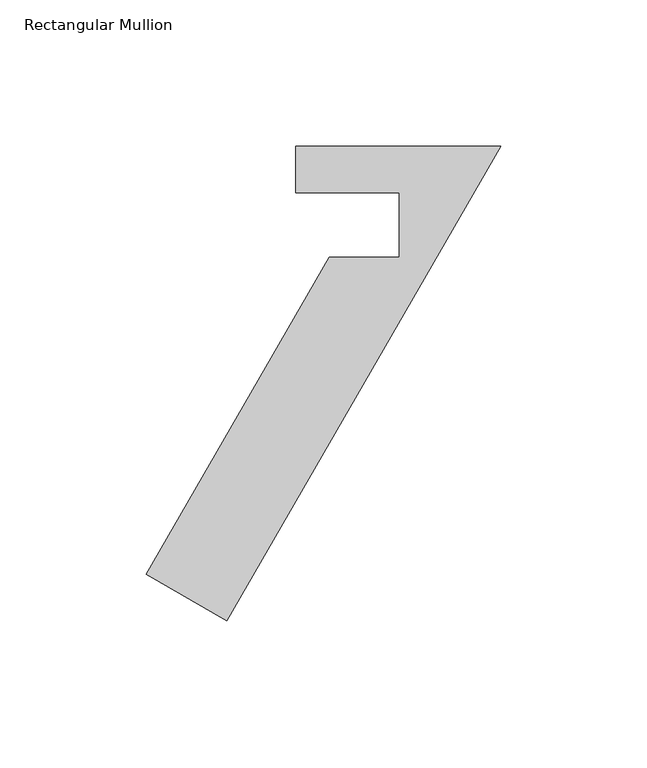
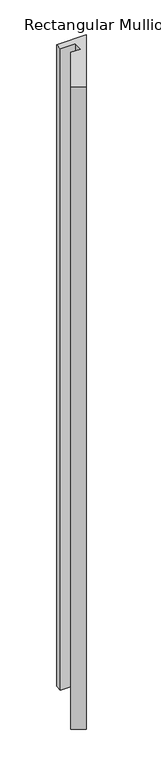
"""IFC4 building model written with IfcOpenShell, lengths in millimetres: member geometry, Rectangular Mullion."""

from ifc_helpers import new_model, si_unit, frame, origin, place, context, project, spatial, polyline, outline, extrude, source, transform, mapped, element, save


def rectangular_mullion_c894345f(model_context):
    return source(origin(), model_context, "Body", "SweptSolid", [
        extrude(outline(polyline([(-121.172667, -146.40222), (-58.5870671, -38.0007812), (-34.7077158, -38.0007813), (-34.7077158, -15.8879359), (-70.0057977, -15.8879359), (-70.0085527, -0.0182927), (0.0, -0.0250044), (-93.6763604, -162.27722), (-121.172667, -146.40222)])), frame((0.0, 0.0, -1601.786738), z_axis=(0.0, 0.0, 1.0), x_axis=(1.0, 0.0, 0.0)), (0.0, 0.0, 1.0), 1601.786738),
    ])


if __name__ == "__main__":
    model = new_model("IFC4")
    model_context = context("Model", 3, world=origin())
    ifc_project = project(units=[si_unit("LENGTHUNIT", "METRE", prefix="MILLI")], contexts=[model_context])
    site = spatial("IfcSite", under=ifc_project)
    building = spatial("IfcBuilding", under=site)
    placement = place(None, origin())
    rectangular_mullion_shape = rectangular_mullion_c894345f(model_context)
    element("IfcMember", 1, ObjectType="Rectangular Mullion", at=placement, inside=building, context=model_context, shape_type="MappedRepresentation", body=[
        mapped(rectangular_mullion_shape, transform((0.0, 0.0, 0.0), x_axis=(1.0, 0.0, 0.0), y_axis=(0.0, 1.0, 0.0), z_axis=(0.0, 0.0, 1.0))),
    ])
    save(model, "model.ifc")
